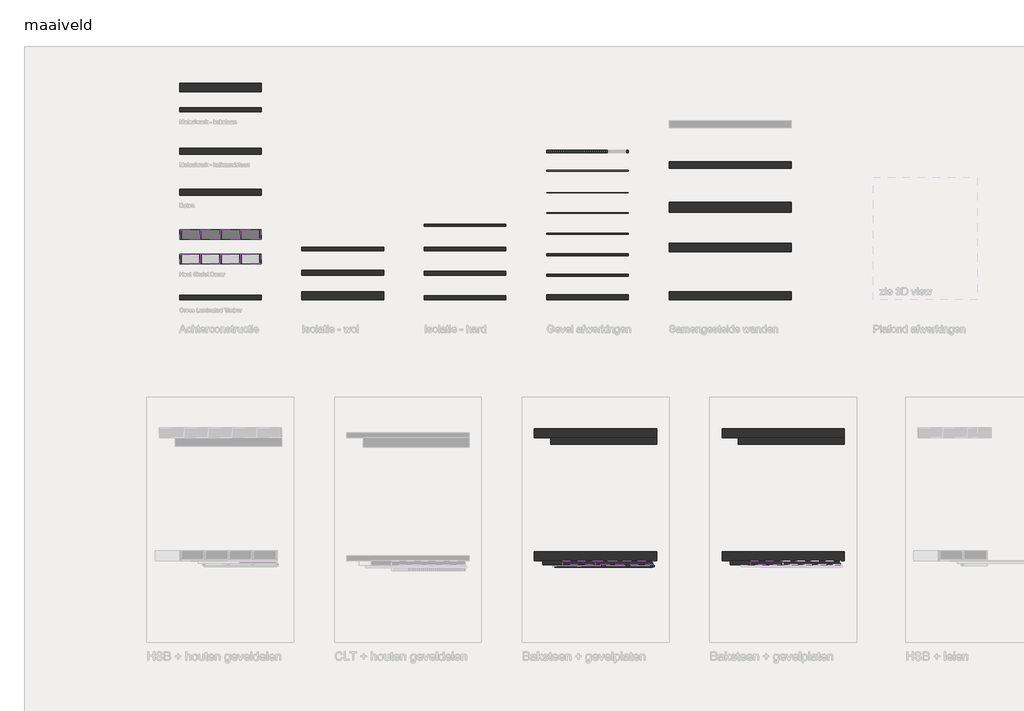
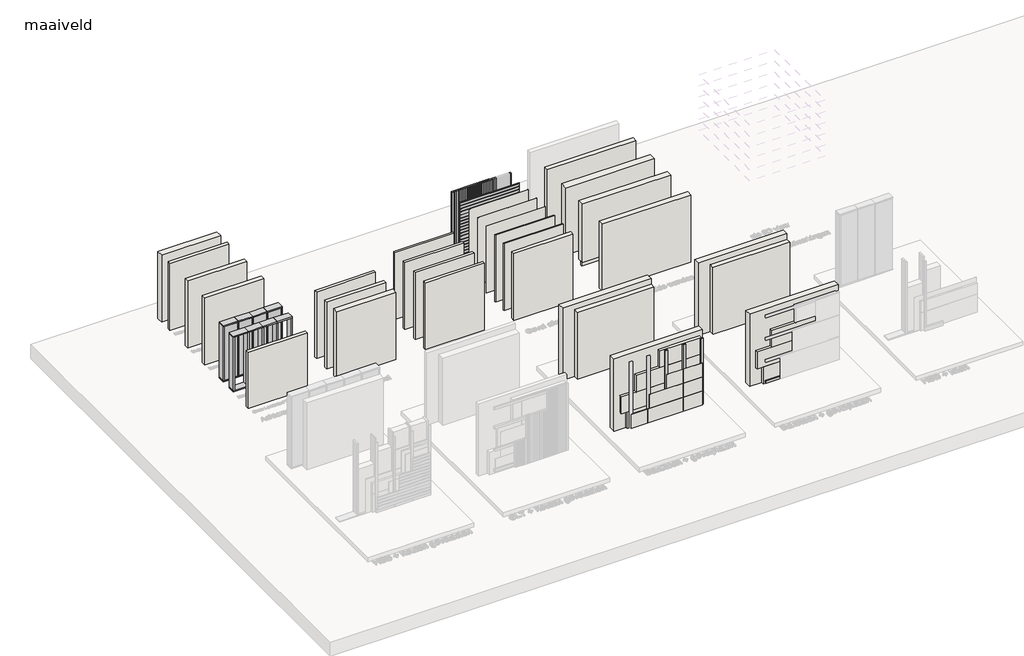
# One storey, part 2 of 14: 61 members, 39 walls, 5 plates.
"""IFC4 building model written with IfcOpenShell, lengths in millimetres."""

import ifcopenshell
import ifcopenshell.guid

model = None  # the IFC model being written
_history = None  # IfcOwnerHistory: only IFC2X3 demands one
_inside = {}  # id of a spatial element -> (the spatial element, [elements in it])
_under = {}  # id of a project, library or spatial element -> (it, [spatial elements below it])
_declared = {}  # id of a project -> (the project, [libraries it declares])
_typed = {}  # id of a type object -> (the type object, [elements of that type])
_made_of = {}  # id of a material, layer set ... -> (it, [elements and type objects made of it])


def new_model(schema):
    """Start an empty IFC model of exactly this schema.

    Asked for "IFC4X3", IfcOpenShell would pick the latest addendum, in which some entities
    have other attributes; the version numbers below select the first issue.
    IFC2X3 requires an IfcOwnerHistory on every rooted entity: one is made here for all.
    """
    global model, _history
    if schema == "IFC4X3":
        model = ifcopenshell.file(schema_version=(4, 3, 0, 0))
    else:
        model = ifcopenshell.file(schema=schema)
    _inside.clear()
    _under.clear()
    _declared.clear()
    _typed.clear()
    _made_of.clear()
    _history = None
    if model.schema == "IFC2X3":
        org = make("IfcOrganization", Name="unknown")
        user = make(
            "IfcPersonAndOrganization",
            ThePerson=make("IfcPerson", FamilyName="unknown"),
            TheOrganization=org,
        )
        app = make(
            "IfcApplication",
            ApplicationDeveloper=org,
            Version="unknown",
            ApplicationFullName="unknown",
            ApplicationIdentifier="unknown",
        )
        _history = make(
            "IfcOwnerHistory",
            OwningUser=user,
            OwningApplication=app,
            ChangeAction="ADDED",
            CreationDate=0,
        )
    return model


def make(cls, **values):
    """One entity of the class cls with the attributes given. An attribute that is None is left unset."""
    return model.create_entity(
        cls, **{name: value for name, value in values.items() if value is not None}
    )


def rooted(cls, **values):
    """An entity with a GlobalId (a new one), such as an element, a storey or a relation."""
    return make(cls, GlobalId=ifcopenshell.guid.new(), OwnerHistory=_history, **values)


def si_unit(unit_type, name, prefix=None):
    """IfcSIUnit, for example si_unit("LENGTHUNIT", "METRE", prefix="MILLI")."""
    return make("IfcSIUnit", UnitType=unit_type, Prefix=prefix, Name=name)


def assignment(units):
    """IfcUnitAssignment: the units of a project."""
    return None if units is None else make("IfcUnitAssignment", Units=units)


def point(xyz):
    """IfcCartesianPoint."""
    return None if xyz is None else make("IfcCartesianPoint", Coordinates=xyz)


def direction(xyz):
    """IfcDirection."""
    return None if xyz is None else make("IfcDirection", DirectionRatios=xyz)


def frame(location, z_axis=None, x_axis=None):
    """IfcAxis2Placement3D, a coordinate frame: its origin and axes. An axis left out is left unset."""
    return make(
        "IfcAxis2Placement3D",
        Location=point(location),
        Axis=direction(z_axis),
        RefDirection=direction(x_axis),
    )


def origin():
    """The frame at (0, 0, 0) with its axes left unset."""
    return frame((0.0, 0.0, 0.0))


def origin_with_axes():
    """The frame at (0, 0, 0) with the z axis (0, 0, 1) and the x axis (1, 0, 0) written out."""
    return frame((0.0, 0.0, 0.0), z_axis=(0.0, 0.0, 1.0), x_axis=(1.0, 0.0, 0.0))


def place(relative_to, where):
    """IfcLocalPlacement: puts the frame where relative to a parent placement (None: the world)."""
    return make(
        "IfcLocalPlacement", PlacementRelTo=relative_to, RelativePlacement=where
    )


def context(
    kind, dimensions, precision=None, world=None, true_north=None, identifier=None
):
    """IfcGeometricRepresentationContext, for example the 3D "Model" context."""
    return make(
        "IfcGeometricRepresentationContext",
        ContextIdentifier=identifier,
        ContextType=kind,
        CoordinateSpaceDimension=dimensions,
        Precision=precision,
        WorldCoordinateSystem=world,
        TrueNorth=true_north,
    )


def project(units=None, contexts=None):
    """IfcProject with its units and contexts."""
    return rooted(
        "IfcProject",
        Name="project",
        RepresentationContexts=contexts,
        UnitsInContext=assignment(units),
    )


def spatial(cls, under=None, at=None, **own):
    """A site, building, storey or space (cls), placed at a placement, below another one or the project."""
    s = rooted(cls, ObjectPlacement=at, **own)
    if under is not None:
        _under.setdefault(under.id(), (under, []))[1].append(s)
    return s


def polyline(points):
    """IfcPolyline through the points."""
    return make("IfcPolyline", Points=[point(p) for p in points])


def outline(outer, holes=None, kind="AREA"):
    """IfcArbitraryClosedProfileDef: a profile drawn as a closed curve; with holes, ...WithVoids."""
    if holes is None:
        return make("IfcArbitraryClosedProfileDef", ProfileType=kind, OuterCurve=outer)
    return make(
        "IfcArbitraryProfileDefWithVoids",
        ProfileType=kind,
        OuterCurve=outer,
        InnerCurves=holes,
    )


def extrude(swept, where, along, depth):
    """IfcExtrudedAreaSolid: the profile swept, set in the frame where, extruded along a direction by depth."""
    return make(
        "IfcExtrudedAreaSolid",
        SweptArea=swept,
        Position=where,
        ExtrudedDirection=direction(along),
        Depth=depth,
    )


def faces_of(points, faces, orient=None, outer=None):
    """IfcFace entities. A face is a list of loops; a loop is a list of indices into points, from 0.

    orient and outer hold one flag for each loop. By default every Orientation is true, the
    first loop of a face is its IfcFaceOuterBound and the others are IfcFaceBound.
    """
    made = []
    for i, loops in enumerate(faces):
        bounds = []
        for j, loop in enumerate(loops):
            is_outer = j == 0 if outer is None else outer[i][j]
            bounds.append(
                make(
                    "IfcFaceOuterBound" if is_outer else "IfcFaceBound",
                    Bound=make("IfcPolyLoop", Polygon=[points[k] for k in loop]),
                    Orientation=True if orient is None else orient[i][j],
                )
            )
        made.append(make("IfcFace", Bounds=bounds))
    return made


def faceted_brep(points, faces, orient=None, outer=None, voids=None):
    """IfcFacetedBrep: a solid bounded by flat faces; with voids (closed shells), ...WithVoids."""
    shared = [point(p) for p in points]
    hull = make("IfcClosedShell", CfsFaces=faces_of(shared, faces, orient, outer))
    if voids is None:
        return make("IfcFacetedBrep", Outer=hull)
    return make(
        "IfcFacetedBrepWithVoids",
        Outer=hull,
        Voids=[
            make(cls, CfsFaces=faces_of(shared, fs, o, b)) for cls, fs, o, b in voids
        ],
    )


def shape(context_of_items, identifier, shape_type, items):
    """IfcShapeRepresentation: the items that make up one representation, for example the "Body"."""
    return make(
        "IfcShapeRepresentation",
        ContextOfItems=context_of_items,
        RepresentationIdentifier=identifier,
        RepresentationType=shape_type,
        Items=items,
    )


def source(mapping_origin, context_of_items, identifier, shape_type, items):
    """IfcRepresentationMap: a shape defined once, which mapped items show again and again."""
    return make(
        "IfcRepresentationMap",
        MappingOrigin=mapping_origin,
        MappedRepresentation=shape(context_of_items, identifier, shape_type, items),
    )


def transform(
    local_origin,
    x_axis=None,
    y_axis=None,
    z_axis=None,
    scale=None,
    scale2=None,
    scale3=None,
    uniform=True,
):
    """IfcCartesianTransformationOperator3D, or its non-uniform kind. x_axis, y_axis, z_axis: its Axis1, 2, 3."""
    if uniform:
        return make(
            "IfcCartesianTransformationOperator3D",
            Axis1=direction(x_axis),
            Axis2=direction(y_axis),
            LocalOrigin=point(local_origin),
            Scale=scale,
            Axis3=direction(z_axis),
        )
    return make(
        "IfcCartesianTransformationOperator3DnonUniform",
        Axis1=direction(x_axis),
        Axis2=direction(y_axis),
        LocalOrigin=point(local_origin),
        Scale=scale,
        Axis3=direction(z_axis),
        Scale2=scale2,
        Scale3=scale3,
    )


def mapped(mapping_source, mapping_target):
    """IfcMappedItem: shows the shape of a source again, moved by a transform."""
    return make(
        "IfcMappedItem", MappingSource=mapping_source, MappingTarget=mapping_target
    )


def made_of(thing, what):
    """Note that an element or type object is made of a material, layer set ...; save() writes the relation."""
    if what is not None:
        _made_of.setdefault(what.id(), (what, []))[1].append(thing)
    return thing


def element(
    cls,
    number,
    at=None,
    inside=None,
    cuts=None,
    type_object=None,
    material=None,
    context=None,
    identifier="Body",
    shape_type=None,
    held_by="IfcProductDefinitionShape",
    body=None,
    shapes=None,
    **own,
):
    """One element of the class cls, such as IfcWall. Its Tag is "e" and its number.

    at: its placement. inside: the storey or other place that contains it. cuts: it is an
    opening in that element (IfcRelVoidsElement). A single representation is given by context,
    identifier, shape_type and body (its items); several are given by shapes. held_by: the class
    of the entity that holds the representations. save() writes the other relations.
    """
    e = rooted(cls, Tag="e%d" % number, ObjectPlacement=at, **own)
    if body is not None:
        shapes = [shape(context, identifier, shape_type, body)]
    if shapes is not None:
        e.Representation = make(held_by, Representations=shapes)
    if inside is not None:
        _inside.setdefault(inside.id(), (inside, []))[1].append(e)
    if cuts is not None:
        rooted(
            "IfcRelVoidsElement", RelatingBuildingElement=cuts, RelatedOpeningElement=e
        )
    if type_object is not None:
        _typed.setdefault(type_object.id(), (type_object, []))[1].append(e)
    return made_of(e, material)


def aggregate(whole, parts):
    """IfcRelAggregates: a whole, such as a stair, and the parts it consists of."""
    return rooted("IfcRelAggregates", RelatingObject=whole, RelatedObjects=parts)


def save(model, path):
    """Write the relations noted so far, then the file.

    IfcRelAggregates (storeys below a building ...), IfcRelContainedInSpatialStructure (elements
    in a storey), IfcRelDefinesByType, IfcRelAssociatesMaterial and IfcRelDeclares: one each for
    every whole, place, type object, material and project.
    """
    for whole, parts in _under.values():
        aggregate(whole, parts)
    for where, things in _inside.values():
        rooted(
            "IfcRelContainedInSpatialStructure",
            RelatedElements=things,
            RelatingStructure=where,
        )
    for kind, things in _typed.values():
        rooted("IfcRelDefinesByType", RelatedObjects=things, RelatingType=kind)
    for what, things in _made_of.values():
        rooted("IfcRelAssociatesMaterial", RelatedObjects=things, RelatingMaterial=what)
    for by, libraries in _declared.values():
        rooted("IfcRelDeclares", RelatingContext=by, RelatedDefinitions=libraries)
    model.write(path)


def rectangular_mullion_54fd6054(model_context):
    return source(origin(), model_context, "Body", "SweptSolid", [
        extrude(outline(polyline([(0.0, 235.0), (0.0, 0.0), (-38.0, 0.0), (-38.0, 235.0), (0.0, 235.0)])), frame((0.0, 0.0, -509.5000002), z_axis=(0.0, 0.0, 1.0), x_axis=(1.0, 0.0, 0.0)), (0.0, 0.0, 1.0), 509.5000002),
    ])


def rectangular_mullion_b7f3a4a9(model_context):
    return source(origin(), model_context, "Body", "SweptSolid", [
        extrude(outline(polyline([(0.0, 235.0), (0.0, 0.0), (-38.0, 0.0), (-38.0, 235.0), (0.0, 235.0)])), frame((0.0, 0.0, -490.4999998), z_axis=(0.0, 0.0, 1.0), x_axis=(1.0, 0.0, 0.0)), (0.0, 0.0, 1.0), 490.4999998),
    ])


def rectangular_mullion_909f2921(model_context):
    return source(origin(), model_context, "Body", "SweptSolid", [
        extrude(outline(polyline([(19.0, 235.0), (19.0, 0.0), (-19.0, 0.0), (-19.0, 235.0), (19.0, 235.0)])), frame((0.0, 0.0, -1924.0), z_axis=(0.0, 0.0, 1.0), x_axis=(1.0, 0.0, 0.0)), (0.0, 0.0, 1.0), 1924.0),
    ])


def rectangular_mullion_249a1d55(model_context):
    return source(origin(), model_context, "Body", "SweptSolid", [
        extrude(outline(polyline([(0.0, 235.0), (0.0, 0.0), (-38.0, 0.0), (-38.0, 235.0), (0.0, 235.0)])), frame((0.0, 0.0, -1924.0), z_axis=(0.0, 0.0, 1.0), x_axis=(1.0, 0.0, 0.0)), (0.0, 0.0, 1.0), 1924.0),
    ])


def rectangular_mullion_a47e18b7(model_context):
    return source(origin(), model_context, "Body", "SweptSolid", [
        extrude(outline(polyline([(0.0, 65.0), (0.0, 5.0), (-40.0, 5.0), (-40.0, 65.0), (0.0, 65.0)])), frame((0.0, 0.0, -2400.0), z_axis=(0.0, 0.0, 1.0), x_axis=(1.0, 0.0, 0.0)), (0.0, 0.0, 1.0), 2400.0),
    ])


def rectangular_mullion_ceeda884(model_context):
    return source(origin(), model_context, "Body", "SweptSolid", [
        extrude(outline(polyline([(20.0, 65.0), (20.0, 5.0), (-20.0, 5.0), (-20.0, 65.0), (20.0, 65.0)])), frame((0.0, 0.0, -2400.0), z_axis=(0.0, 0.0, 1.0), x_axis=(1.0, 0.0, 0.0)), (0.0, 0.0, 1.0), 2400.0),
    ])


def rectangular_mullion_5f890e93(model_context):
    return source(origin(), model_context, "Body", "SweptSolid", [
        extrude(outline(polyline([(0.0, 58.0), (0.0, 20.0), (-89.0, 20.0), (-89.0, 58.0), (0.0, 58.0)])), frame((0.0, 0.0, -2490.0), z_axis=(0.0, 0.0, 1.0), x_axis=(1.0, 0.0, 0.0)), (0.0, 0.0, 1.0), 2490.0),
    ])


def rectangular_mullion_ca50d48e(model_context):
    return source(origin(), model_context, "Body", "SweptSolid", [
        extrude(outline(polyline([(44.5, 58.0), (44.5, 20.0), (-44.5, 20.0), (-44.5, 58.0), (44.5, 58.0)])), frame((0.0, 0.0, -2360.0), z_axis=(0.0, 0.0, 1.0), x_axis=(1.0, 0.0, 0.0)), (0.0, 0.0, 1.0), 2360.0),
    ])


def rectangular_mullion_17bd54c2(model_context):
    return source(origin(), model_context, "Body", "SweptSolid", [
        extrude(outline(polyline([(0.0, 58.0), (0.0, 20.0), (-89.0, 20.0), (-89.0, 58.0), (0.0, 58.0)])), frame((0.0, 0.0, -2360.0), z_axis=(0.0, 0.0, 1.0), x_axis=(1.0, 0.0, 0.0)), (0.0, 0.0, 1.0), 2360.0),
    ])


def plate_d8001af4(model_context):
    return source(origin(), model_context, "Body", "SweptSolid", [
        extrude(outline(polyline([(0.0, 2200.0), (-7.5, 2200.0), (-7.5, 2210.0), (-13.5, 2210.0), (-13.5, 2200.0), (-21.0, 2207.5), (-21.0, 2300.5), (-13.5, 2308.0), (-13.5, 2318.0), (-7.5, 2318.0), (-7.5, 2308.0), (0.0, 2308.0), (0.0, 2200.0)])), frame((-1000.0, 0.0, 0.0), z_axis=(1.0, 0.0, 0.0), x_axis=(0.0, 1.0, 0.0)), (0.0, 0.0, 1.0), 2000.0),
        extrude(outline(polyline([(0.0, 2090.0), (-7.5, 2090.0), (-7.5, 2100.0), (-13.5, 2100.0), (-13.5, 2090.0), (-21.0, 2097.5), (-21.0, 2190.5), (-13.5, 2198.0), (-13.5, 2208.0), (-7.5, 2208.0), (-7.5, 2198.0), (0.0, 2198.0), (0.0, 2090.0)])), frame((-1000.0, 0.0, 0.0), z_axis=(1.0, 0.0, 0.0), x_axis=(0.0, 1.0, 0.0)), (0.0, 0.0, 1.0), 2000.0),
        extrude(outline(polyline([(0.0, 1980.0), (-7.5, 1980.0), (-7.5, 1990.0), (-13.5, 1990.0), (-13.5, 1980.0), (-21.0, 1987.5), (-21.0, 2080.5), (-13.5, 2088.0), (-13.5, 2098.0), (-7.5, 2098.0), (-7.5, 2088.0), (0.0, 2088.0), (0.0, 1980.0)])), frame((-1000.0, 0.0, 0.0), z_axis=(1.0, 0.0, 0.0), x_axis=(0.0, 1.0, 0.0)), (0.0, 0.0, 1.0), 2000.0),
        extrude(outline(polyline([(0.0, 1870.0), (-7.5, 1870.0), (-7.5, 1880.0), (-13.5, 1880.0), (-13.5, 1870.0), (-21.0, 1877.5), (-21.0, 1970.5), (-13.5, 1978.0), (-13.5, 1988.0), (-7.5, 1988.0), (-7.5, 1978.0), (0.0, 1978.0), (0.0, 1870.0)])), frame((-1000.0, 0.0, 0.0), z_axis=(1.0, 0.0, 0.0), x_axis=(0.0, 1.0, 0.0)), (0.0, 0.0, 1.0), 2000.0),
        extrude(outline(polyline([(0.0, 1760.0), (-7.5, 1760.0), (-7.5, 1770.0), (-13.5, 1770.0), (-13.5, 1760.0), (-21.0, 1767.5), (-21.0, 1860.5), (-13.5, 1868.0), (-13.5, 1878.0), (-7.5, 1878.0), (-7.5, 1868.0), (0.0, 1868.0), (0.0, 1760.0)])), frame((-1000.0, 0.0, 0.0), z_axis=(1.0, 0.0, 0.0), x_axis=(0.0, 1.0, 0.0)), (0.0, 0.0, 1.0), 2000.0),
        extrude(outline(polyline([(0.0, 1650.0), (-7.5, 1650.0), (-7.5, 1660.0), (-13.5, 1660.0), (-13.5, 1650.0), (-21.0, 1657.5), (-21.0, 1750.5), (-13.5, 1758.0), (-13.5, 1768.0), (-7.5, 1768.0), (-7.5, 1758.0), (0.0, 1758.0), (0.0, 1650.0)])), frame((-1000.0, 0.0, 0.0), z_axis=(1.0, 0.0, 0.0), x_axis=(0.0, 1.0, 0.0)), (0.0, 0.0, 1.0), 2000.0),
        extrude(outline(polyline([(0.0, 1540.0), (-7.5, 1540.0), (-7.5, 1550.0), (-13.5, 1550.0), (-13.5, 1540.0), (-21.0, 1547.5), (-21.0, 1640.5), (-13.5, 1648.0), (-13.5, 1658.0), (-7.5, 1658.0), (-7.5, 1648.0), (0.0, 1648.0), (0.0, 1540.0)])), frame((-1000.0, 0.0, 0.0), z_axis=(1.0, 0.0, 0.0), x_axis=(0.0, 1.0, 0.0)), (0.0, 0.0, 1.0), 2000.0),
        extrude(outline(polyline([(0.0, 1430.0), (-7.5, 1430.0), (-7.5, 1440.0), (-13.5, 1440.0), (-13.5, 1430.0), (-21.0, 1437.5), (-21.0, 1530.5), (-13.5, 1538.0), (-13.5, 1548.0), (-7.5, 1548.0), (-7.5, 1538.0), (0.0, 1538.0), (0.0, 1430.0)])), frame((-1000.0, 0.0, 0.0), z_axis=(1.0, 0.0, 0.0), x_axis=(0.0, 1.0, 0.0)), (0.0, 0.0, 1.0), 2000.0),
        extrude(outline(polyline([(0.0, 1320.0), (-7.5, 1320.0), (-7.5, 1330.0), (-13.5, 1330.0), (-13.5, 1320.0), (-21.0, 1327.5), (-21.0, 1420.5), (-13.5, 1428.0), (-13.5, 1438.0), (-7.5, 1438.0), (-7.5, 1428.0), (0.0, 1428.0), (0.0, 1320.0)])), frame((-1000.0, 0.0, 0.0), z_axis=(1.0, 0.0, 0.0), x_axis=(0.0, 1.0, 0.0)), (0.0, 0.0, 1.0), 2000.0),
        extrude(outline(polyline([(0.0, 1210.0), (-7.5, 1210.0), (-7.5, 1220.0), (-13.5, 1220.0), (-13.5, 1210.0), (-21.0, 1217.5), (-21.0, 1310.5), (-13.5, 1318.0), (-13.5, 1328.0), (-7.5, 1328.0), (-7.5, 1318.0), (0.0, 1318.0), (0.0, 1210.0)])), frame((-1000.0, 0.0, 0.0), z_axis=(1.0, 0.0, 0.0), x_axis=(0.0, 1.0, 0.0)), (0.0, 0.0, 1.0), 2000.0),
        extrude(outline(polyline([(0.0, 1100.0), (-7.5, 1100.0), (-7.5, 1110.0), (-13.5, 1110.0), (-13.5, 1100.0), (-21.0, 1107.5), (-21.0, 1200.5), (-13.5, 1208.0), (-13.5, 1218.0), (-7.5, 1218.0), (-7.5, 1208.0), (0.0, 1208.0), (0.0, 1100.0)])), frame((-1000.0, 0.0, 0.0), z_axis=(1.0, 0.0, 0.0), x_axis=(0.0, 1.0, 0.0)), (0.0, 0.0, 1.0), 2000.0),
        extrude(outline(polyline([(0.0, 990.0), (-7.5, 990.0), (-7.5, 1000.0), (-13.5, 1000.0), (-13.5, 990.0), (-21.0, 997.5), (-21.0, 1090.5), (-13.5, 1098.0), (-13.5, 1108.0), (-7.5, 1108.0), (-7.5, 1098.0), (0.0, 1098.0), (0.0, 990.0)])), frame((-1000.0, 0.0, 0.0), z_axis=(1.0, 0.0, 0.0), x_axis=(0.0, 1.0, 0.0)), (0.0, 0.0, 1.0), 2000.0),
        extrude(outline(polyline([(0.0, 880.0), (-7.5, 880.0), (-7.5, 890.0), (-13.5, 890.0), (-13.5, 880.0), (-21.0, 887.5), (-21.0, 980.5), (-13.5, 988.0), (-13.5, 998.0), (-7.5, 998.0), (-7.5, 988.0), (0.0, 988.0), (0.0, 880.0)])), frame((-1000.0, 0.0, 0.0), z_axis=(1.0, 0.0, 0.0), x_axis=(0.0, 1.0, 0.0)), (0.0, 0.0, 1.0), 2000.0),
        extrude(outline(polyline([(0.0, 770.0), (-7.5, 770.0), (-7.5, 780.0), (-13.5, 780.0), (-13.5, 770.0), (-21.0, 777.5), (-21.0, 870.5), (-13.5, 878.0), (-13.5, 888.0), (-7.5, 888.0), (-7.5, 878.0), (0.0, 878.0), (0.0, 770.0)])), frame((-1000.0, 0.0, 0.0), z_axis=(1.0, 0.0, 0.0), x_axis=(0.0, 1.0, 0.0)), (0.0, 0.0, 1.0), 2000.0),
        extrude(outline(polyline([(0.0, 660.0), (-7.5, 660.0), (-7.5, 670.0), (-13.5, 670.0), (-13.5, 660.0), (-21.0, 667.5), (-21.0, 760.5), (-13.5, 768.0), (-13.5, 778.0), (-7.5, 778.0), (-7.5, 768.0), (0.0, 768.0), (0.0, 660.0)])), frame((-1000.0, 0.0, 0.0), z_axis=(1.0, 0.0, 0.0), x_axis=(0.0, 1.0, 0.0)), (0.0, 0.0, 1.0), 2000.0),
        extrude(outline(polyline([(0.0, 550.0), (-7.5, 550.0), (-7.5, 560.0), (-13.5, 560.0), (-13.5, 550.0), (-21.0, 557.5), (-21.0, 650.5), (-13.5, 658.0), (-13.5, 668.0), (-7.5, 668.0), (-7.5, 658.0), (0.0, 658.0), (0.0, 550.0)])), frame((-1000.0, 0.0, 0.0), z_axis=(1.0, 0.0, 0.0), x_axis=(0.0, 1.0, 0.0)), (0.0, 0.0, 1.0), 2000.0),
        extrude(outline(polyline([(0.0, 440.0), (-7.5, 440.0), (-7.5, 450.0), (-13.5, 450.0), (-13.5, 440.0), (-21.0, 447.5), (-21.0, 540.5), (-13.5, 548.0), (-13.5, 558.0), (-7.5, 558.0), (-7.5, 548.0), (0.0, 548.0), (0.0, 440.0)])), frame((-1000.0, 0.0, 0.0), z_axis=(1.0, 0.0, 0.0), x_axis=(0.0, 1.0, 0.0)), (0.0, 0.0, 1.0), 2000.0),
        extrude(outline(polyline([(0.0, 330.0), (-7.5, 330.0), (-7.5, 340.0), (-13.5, 340.0), (-13.5, 330.0), (-21.0, 337.5), (-21.0, 430.5), (-13.5, 438.0), (-13.5, 448.0), (-7.5, 448.0), (-7.5, 438.0), (0.0, 438.0), (0.0, 330.0)])), frame((-1000.0, 0.0, 0.0), z_axis=(1.0, 0.0, 0.0), x_axis=(0.0, 1.0, 0.0)), (0.0, 0.0, 1.0), 2000.0),
        extrude(outline(polyline([(0.0, 220.0), (-7.5, 220.0), (-7.5, 230.0), (-13.5, 230.0), (-13.5, 220.0), (-21.0, 227.5), (-21.0, 320.5), (-13.5, 328.0), (-13.5, 338.0), (-7.5, 338.0), (-7.5, 328.0), (0.0, 328.0), (0.0, 220.0)])), frame((-1000.0, 0.0, 0.0), z_axis=(1.0, 0.0, 0.0), x_axis=(0.0, 1.0, 0.0)), (0.0, 0.0, 1.0), 2000.0),
        extrude(outline(polyline([(0.0, 110.0), (-7.5, 110.0), (-7.5, 120.0), (-13.5, 120.0), (-13.5, 110.0), (-21.0, 117.5), (-21.0, 210.5), (-13.5, 218.0), (-13.5, 228.0), (-7.5, 228.0), (-7.5, 218.0), (0.0, 218.0), (0.0, 110.0)])), frame((-1000.0, 0.0, 0.0), z_axis=(1.0, 0.0, 0.0), x_axis=(0.0, 1.0, 0.0)), (0.0, 0.0, 1.0), 2000.0),
        extrude(outline(polyline([(0.0, 0.0), (-7.5, 0.0), (-7.5, 10.0), (-13.5, 10.0), (-13.5, 0.0), (-21.0, 7.5), (-21.0, 100.5), (-13.5, 108.0), (-13.5, 118.0), (-7.5, 118.0), (-7.5, 108.0), (0.0, 108.0), (0.0, 0.0)])), frame((-1000.0, 0.0, 0.0), z_axis=(1.0, 0.0, 0.0), x_axis=(0.0, 1.0, 0.0)), (0.0, 0.0, 1.0), 2000.0),
    ])


def system_panel_isolatie_wol_230_95c047b2(model_context):
    return source(origin(), model_context, "Body", "SweptSolid", [
        extrude(outline(polyline([(226.2500001, -230.0), (-226.2500001, -230.0), (-226.2500001, 0.0), (226.2500001, 0.0), (226.2500001, -230.0)])), origin_with_axes(), (0.0, 0.0, 1.0), 1924.0),
    ])


model = new_model("IFC4")

# Units and contexts
model_context = context("Model", 3, world=origin())
ifc_project = project(units=[si_unit("LENGTHUNIT", "METRE", prefix="MILLI")], contexts=[model_context])

# Site, building, storey
site = spatial("IfcSite", under=ifc_project)
building = spatial("IfcBuilding", under=site)
storey = spatial("IfcBuildingStorey", under=building, Name="maaiveld", Elevation=0.0)

# Members
placement = place(None, origin())
rectangular_mullion_shape = rectangular_mullion_54fd6054(model_context)
element("IfcMember", 1, ObjectType="Rectangular Mullion", at=placement, inside=storey, context=model_context, shape_type="MappedRepresentation", body=[
    mapped(rectangular_mullion_shape, transform((2800.0, 10105.0, 2050.0), x_axis=(0.0, 0.0, 1.0), y_axis=(0.0, -1.0, 0.0), z_axis=(1.0, 0.0, 0.0))),
])
element("IfcMember", 2, ObjectType="Rectangular Mullion", at=placement, inside=storey, context=model_context, shape_type="MappedRepresentation", body=[
    mapped(rectangular_mullion_shape, transform((2800.0, 9505.0, 2050.0), x_axis=(0.0, 0.0, 1.0), y_axis=(0.0, -1.0, 0.0), z_axis=(1.0, 0.0, 0.0))),
])
element("IfcMember", 3, ObjectType="Rectangular Mullion", at=placement, inside=storey, context=model_context, shape_type="MappedRepresentation", body=[
    mapped(rectangular_mullion_shape, transform((800.0, 10105.0, 50.0), x_axis=(0.0, 0.0, -1.0), y_axis=(0.0, -1.0, 0.0), z_axis=(-1.0, 0.0, 0.0))),
])
element("IfcMember", 4, ObjectType="Rectangular Mullion", at=placement, inside=storey, context=model_context, shape_type="MappedRepresentation", body=[
    mapped(rectangular_mullion_shape, transform((800.0, 9505.0, 50.0), x_axis=(0.0, 0.0, -1.0), y_axis=(0.0, -1.0, 0.0), z_axis=(-1.0, 0.0, 0.0))),
])
element("IfcMember", 5, ObjectType="Rectangular Mullion", at=placement, inside=storey, context=model_context, shape_type="MappedRepresentation", body=[
    mapped(rectangular_mullion_shape, transform((1309.5000002, 10105.0, 2050.0), x_axis=(0.0, 0.0, 1.0), y_axis=(0.0, -1.0, 0.0), z_axis=(1.0, 0.0, 0.0))),
])
element("IfcMember", 6, ObjectType="Rectangular Mullion", at=placement, inside=storey, context=model_context, shape_type="MappedRepresentation", body=[
    mapped(rectangular_mullion_shape, transform((1309.5000002, 9505.0, 2050.0), x_axis=(0.0, 0.0, 1.0), y_axis=(0.0, -1.0, 0.0), z_axis=(1.0, 0.0, 0.0))),
])
rectangular_mullion_2_shape = rectangular_mullion_b7f3a4a9(model_context)
element("IfcMember", 7, ObjectType="Rectangular Mullion", at=placement, inside=storey, context=model_context, shape_type="MappedRepresentation", body=[
    mapped(rectangular_mullion_2_shape, transform((1800.0, 10105.0, 2050.0), x_axis=(0.0, 0.0, 1.0), y_axis=(0.0, -1.0, 0.0), z_axis=(1.0, 0.0, 0.0))),
])
element("IfcMember", 8, ObjectType="Rectangular Mullion", at=placement, inside=storey, context=model_context, shape_type="MappedRepresentation", body=[
    mapped(rectangular_mullion_2_shape, transform((2290.4999998, 10105.0, 2050.0), x_axis=(0.0, 0.0, 1.0), y_axis=(0.0, -1.0, 0.0), z_axis=(1.0, 0.0, 0.0))),
])
element("IfcMember", 9, ObjectType="Rectangular Mullion", at=placement, inside=storey, context=model_context, shape_type="MappedRepresentation", body=[
    mapped(rectangular_mullion_2_shape, transform((1800.0, 9505.0, 2050.0), x_axis=(0.0, 0.0, 1.0), y_axis=(0.0, -1.0, 0.0), z_axis=(1.0, 0.0, 0.0))),
])
element("IfcMember", 10, ObjectType="Rectangular Mullion", at=placement, inside=storey, context=model_context, shape_type="MappedRepresentation", body=[
    mapped(rectangular_mullion_2_shape, transform((2290.4999998, 9505.0, 2050.0), x_axis=(0.0, 0.0, 1.0), y_axis=(0.0, -1.0, 0.0), z_axis=(1.0, 0.0, 0.0))),
])
element("IfcMember", 11, ObjectType="Rectangular Mullion", at=placement, inside=storey, context=model_context, shape_type="MappedRepresentation", body=[
    mapped(rectangular_mullion_2_shape, transform((1309.5000002, 10105.0, 50.0), x_axis=(0.0, 0.0, -1.0), y_axis=(0.0, -1.0, 0.0), z_axis=(-1.0, 0.0, 0.0))),
])
element("IfcMember", 12, ObjectType="Rectangular Mullion", at=placement, inside=storey, context=model_context, shape_type="MappedRepresentation", body=[
    mapped(rectangular_mullion_2_shape, transform((1800.0, 10105.0, 50.0), x_axis=(0.0, 0.0, -1.0), y_axis=(0.0, -1.0, 0.0), z_axis=(-1.0, 0.0, 0.0))),
])
element("IfcMember", 13, ObjectType="Rectangular Mullion", at=placement, inside=storey, context=model_context, shape_type="MappedRepresentation", body=[
    mapped(rectangular_mullion_2_shape, transform((1309.5000002, 9505.0, 50.0), x_axis=(0.0, 0.0, -1.0), y_axis=(0.0, -1.0, 0.0), z_axis=(-1.0, 0.0, 0.0))),
])
element("IfcMember", 14, ObjectType="Rectangular Mullion", at=placement, inside=storey, context=model_context, shape_type="MappedRepresentation", body=[
    mapped(rectangular_mullion_2_shape, transform((1800.0, 9505.0, 50.0), x_axis=(0.0, 0.0, -1.0), y_axis=(0.0, -1.0, 0.0), z_axis=(-1.0, 0.0, 0.0))),
])
element("IfcMember", 15, ObjectType="Rectangular Mullion", at=placement, inside=storey, context=model_context, shape_type="MappedRepresentation", body=[
    mapped(rectangular_mullion_shape, transform((2290.4999998, 10105.0, 50.0), x_axis=(0.0, 0.0, -1.0), y_axis=(0.0, -1.0, 0.0), z_axis=(-1.0, 0.0, 0.0))),
])
element("IfcMember", 16, ObjectType="Rectangular Mullion", at=placement, inside=storey, context=model_context, shape_type="MappedRepresentation", body=[
    mapped(rectangular_mullion_shape, transform((2290.4999998, 9505.0, 50.0), x_axis=(0.0, 0.0, -1.0), y_axis=(0.0, -1.0, 0.0), z_axis=(-1.0, 0.0, 0.0))),
])
rectangular_mullion_3_shape = rectangular_mullion_909f2921(model_context)
element("IfcMember", 17, ObjectType="Rectangular Mullion", at=placement, inside=storey, context=model_context, shape_type="MappedRepresentation", body=[
    mapped(rectangular_mullion_3_shape, transform((1309.5000002, 10105.0, 88.0), x_axis=(1.0, 0.0, 0.0), y_axis=(0.0, -1.0, 0.0), z_axis=(0.0, 0.0, -1.0))),
])
element("IfcMember", 18, ObjectType="Rectangular Mullion", at=placement, inside=storey, context=model_context, shape_type="MappedRepresentation", body=[
    mapped(rectangular_mullion_3_shape, transform((1800.0, 10105.0, 88.0), x_axis=(1.0, 0.0, 0.0), y_axis=(0.0, -1.0, 0.0), z_axis=(0.0, 0.0, -1.0))),
])
element("IfcMember", 19, ObjectType="Rectangular Mullion", at=placement, inside=storey, context=model_context, shape_type="MappedRepresentation", body=[
    mapped(rectangular_mullion_3_shape, transform((2290.4999998, 10105.0, 88.0), x_axis=(1.0, 0.0, 0.0), y_axis=(0.0, -1.0, 0.0), z_axis=(0.0, 0.0, -1.0))),
])
element("IfcMember", 20, ObjectType="Rectangular Mullion", at=placement, inside=storey, context=model_context, shape_type="MappedRepresentation", body=[
    mapped(rectangular_mullion_3_shape, transform((1309.5000002, 9505.0, 88.0), x_axis=(1.0, 0.0, 0.0), y_axis=(0.0, -1.0, 0.0), z_axis=(0.0, 0.0, -1.0))),
])
element("IfcMember", 21, ObjectType="Rectangular Mullion", at=placement, inside=storey, context=model_context, shape_type="MappedRepresentation", body=[
    mapped(rectangular_mullion_3_shape, transform((1800.0, 9505.0, 88.0), x_axis=(1.0, 0.0, 0.0), y_axis=(0.0, -1.0, 0.0), z_axis=(0.0, 0.0, -1.0))),
])
element("IfcMember", 22, ObjectType="Rectangular Mullion", at=placement, inside=storey, context=model_context, shape_type="MappedRepresentation", body=[
    mapped(rectangular_mullion_3_shape, transform((2290.4999998, 9505.0, 88.0), x_axis=(1.0, 0.0, 0.0), y_axis=(0.0, -1.0, 0.0), z_axis=(0.0, 0.0, -1.0))),
])
rectangular_mullion_4_shape = rectangular_mullion_249a1d55(model_context)
element("IfcMember", 23, ObjectType="Rectangular Mullion", at=placement, inside=storey, context=model_context, shape_type="MappedRepresentation", body=[
    mapped(rectangular_mullion_4_shape, transform((2800.0, 10105.0, 88.0), x_axis=(1.0, 0.0, 0.0), y_axis=(0.0, -1.0, 0.0), z_axis=(0.0, 0.0, -1.0))),
])
element("IfcMember", 24, ObjectType="Rectangular Mullion", at=placement, inside=storey, context=model_context, shape_type="MappedRepresentation", body=[
    mapped(rectangular_mullion_4_shape, transform((2800.0, 9505.0, 88.0), x_axis=(1.0, 0.0, 0.0), y_axis=(0.0, -1.0, 0.0), z_axis=(0.0, 0.0, -1.0))),
])
element("IfcMember", 25, ObjectType="Rectangular Mullion", at=placement, inside=storey, context=model_context, shape_type="MappedRepresentation", body=[
    mapped(rectangular_mullion_4_shape, transform((800.0, 10105.0, 2012.0), x_axis=(-1.0, 0.0, 0.0), y_axis=(0.0, -1.0, 0.0), z_axis=(0.0, 0.0, 1.0))),
])
element("IfcMember", 26, ObjectType="Rectangular Mullion", at=placement, inside=storey, context=model_context, shape_type="MappedRepresentation", body=[
    mapped(rectangular_mullion_4_shape, transform((800.0, 9505.0, 2012.0), x_axis=(-1.0, 0.0, 0.0), y_axis=(0.0, -1.0, 0.0), z_axis=(0.0, 0.0, 1.0))),
])
rectangular_mullion_5_shape = rectangular_mullion_a47e18b7(model_context)
element("IfcMember", 27, ObjectType="Rectangular Mullion", at=placement, inside=storey, context=model_context, shape_type="MappedRepresentation", body=[
    mapped(rectangular_mullion_5_shape, transform((11800.0, 12061.5, 0.0), x_axis=(1.0, 0.0, 0.0), y_axis=(0.0, -1.0, 0.0), z_axis=(0.0, 0.0, -1.0))),
])
element("IfcMember", 28, ObjectType="Rectangular Mullion", at=placement, inside=storey, context=model_context, shape_type="MappedRepresentation", body=[
    mapped(rectangular_mullion_5_shape, transform((9800.0, 12061.5, 2400.0), x_axis=(-1.0, 0.0, 0.0), y_axis=(0.0, -1.0, 0.0), z_axis=(0.0, 0.0, 1.0))),
])
rectangular_mullion_6_shape = rectangular_mullion_ceeda884(model_context)
element("IfcMember", 29, ObjectType="Rectangular Mullion", at=placement, inside=storey, context=model_context, shape_type="MappedRepresentation", body=[
    mapped(rectangular_mullion_6_shape, transform((10420.0000003, 12061.5, 0.0), x_axis=(1.0, 0.0, 0.0), y_axis=(0.0, -1.0, 0.0), z_axis=(0.0, 0.0, -1.0))),
])
element("IfcMember", 30, ObjectType="Rectangular Mullion", at=placement, inside=storey, context=model_context, shape_type="MappedRepresentation", body=[
    mapped(rectangular_mullion_6_shape, transform((10470.0000003, 12061.5, 0.0), x_axis=(1.0, 0.0, 0.0), y_axis=(0.0, -1.0, 0.0), z_axis=(0.0, 0.0, -1.0))),
])
element("IfcMember", 31, ObjectType="Rectangular Mullion", at=placement, inside=storey, context=model_context, shape_type="MappedRepresentation", body=[
    mapped(rectangular_mullion_6_shape, transform((10520.0000003, 12061.5, 0.0), x_axis=(1.0, 0.0, 0.0), y_axis=(0.0, -1.0, 0.0), z_axis=(0.0, 0.0, -1.0))),
])
element("IfcMember", 32, ObjectType="Rectangular Mullion", at=placement, inside=storey, context=model_context, shape_type="MappedRepresentation", body=[
    mapped(rectangular_mullion_6_shape, transform((10570.0000003, 12061.5, 0.0), x_axis=(1.0, 0.0, 0.0), y_axis=(0.0, -1.0, 0.0), z_axis=(0.0, 0.0, -1.0))),
])
element("IfcMember", 33, ObjectType="Rectangular Mullion", at=placement, inside=storey, context=model_context, shape_type="MappedRepresentation", body=[
    mapped(rectangular_mullion_6_shape, transform((10620.0000003, 12061.5, 0.0), x_axis=(1.0, 0.0, 0.0), y_axis=(0.0, -1.0, 0.0), z_axis=(0.0, 0.0, -1.0))),
])
element("IfcMember", 34, ObjectType="Rectangular Mullion", at=placement, inside=storey, context=model_context, shape_type="MappedRepresentation", body=[
    mapped(rectangular_mullion_6_shape, transform((10670.0000003, 12061.5, 0.0), x_axis=(1.0, 0.0, 0.0), y_axis=(0.0, -1.0, 0.0), z_axis=(0.0, 0.0, -1.0))),
])
element("IfcMember", 35, ObjectType="Rectangular Mullion", at=placement, inside=storey, context=model_context, shape_type="MappedRepresentation", body=[
    mapped(rectangular_mullion_6_shape, transform((10720.0000003, 12061.5, 0.0), x_axis=(1.0, 0.0, 0.0), y_axis=(0.0, -1.0, 0.0), z_axis=(0.0, 0.0, -1.0))),
])
element("IfcMember", 36, ObjectType="Rectangular Mullion", at=placement, inside=storey, context=model_context, shape_type="MappedRepresentation", body=[
    mapped(rectangular_mullion_6_shape, transform((10770.0000003, 12061.5, 0.0), x_axis=(1.0, 0.0, 0.0), y_axis=(0.0, -1.0, 0.0), z_axis=(0.0, 0.0, -1.0))),
])
element("IfcMember", 37, ObjectType="Rectangular Mullion", at=placement, inside=storey, context=model_context, shape_type="MappedRepresentation", body=[
    mapped(rectangular_mullion_6_shape, transform((10820.0000003, 12061.5, 0.0), x_axis=(1.0, 0.0, 0.0), y_axis=(0.0, -1.0, 0.0), z_axis=(0.0, 0.0, -1.0))),
])
element("IfcMember", 38, ObjectType="Rectangular Mullion", at=placement, inside=storey, context=model_context, shape_type="MappedRepresentation", body=[
    mapped(rectangular_mullion_6_shape, transform((10870.0000003, 12061.5, 0.0), x_axis=(1.0, 0.0, 0.0), y_axis=(0.0, -1.0, 0.0), z_axis=(0.0, 0.0, -1.0))),
])
element("IfcMember", 39, ObjectType="Rectangular Mullion", at=placement, inside=storey, context=model_context, shape_type="MappedRepresentation", body=[
    mapped(rectangular_mullion_6_shape, transform((10920.0000003, 12061.5, 0.0), x_axis=(1.0, 0.0, 0.0), y_axis=(0.0, -1.0, 0.0), z_axis=(0.0, 0.0, -1.0))),
])
element("IfcMember", 40, ObjectType="Rectangular Mullion", at=placement, inside=storey, context=model_context, shape_type="MappedRepresentation", body=[
    mapped(rectangular_mullion_6_shape, transform((10970.0000003, 12061.5, 0.0), x_axis=(1.0, 0.0, 0.0), y_axis=(0.0, -1.0, 0.0), z_axis=(0.0, 0.0, -1.0))),
])
element("IfcMember", 41, ObjectType="Rectangular Mullion", at=placement, inside=storey, context=model_context, shape_type="MappedRepresentation", body=[
    mapped(rectangular_mullion_6_shape, transform((11020.0000003, 12061.5, 0.0), x_axis=(1.0, 0.0, 0.0), y_axis=(0.0, -1.0, 0.0), z_axis=(0.0, 0.0, -1.0))),
])
element("IfcMember", 42, ObjectType="Rectangular Mullion", at=placement, inside=storey, context=model_context, shape_type="MappedRepresentation", body=[
    mapped(rectangular_mullion_6_shape, transform((11070.0000003, 12061.5, 0.0), x_axis=(1.0, 0.0, 0.0), y_axis=(0.0, -1.0, 0.0), z_axis=(0.0, 0.0, -1.0))),
])
element("IfcMember", 43, ObjectType="Rectangular Mullion", at=placement, inside=storey, context=model_context, shape_type="MappedRepresentation", body=[
    mapped(rectangular_mullion_6_shape, transform((11120.0000003, 12061.5, 0.0), x_axis=(1.0, 0.0, 0.0), y_axis=(0.0, -1.0, 0.0), z_axis=(0.0, 0.0, -1.0))),
])
element("IfcMember", 44, ObjectType="Rectangular Mullion", at=placement, inside=storey, context=model_context, shape_type="MappedRepresentation", body=[
    mapped(rectangular_mullion_6_shape, transform((11170.0000003, 12061.5, 0.0), x_axis=(1.0, 0.0, 0.0), y_axis=(0.0, -1.0, 0.0), z_axis=(0.0, 0.0, -1.0))),
])
element("IfcMember", 45, ObjectType="Rectangular Mullion", at=placement, inside=storey, context=model_context, shape_type="MappedRepresentation", body=[
    mapped(rectangular_mullion_6_shape, transform((11220.0000003, 12061.5, 0.0), x_axis=(1.0, 0.0, 0.0), y_axis=(0.0, -1.0, 0.0), z_axis=(0.0, 0.0, -1.0))),
])
element("IfcMember", 46, ObjectType="Rectangular Mullion", at=placement, inside=storey, context=model_context, shape_type="MappedRepresentation", body=[
    mapped(rectangular_mullion_6_shape, transform((11270.0000003, 12061.5, 0.0), x_axis=(1.0, 0.0, 0.0), y_axis=(0.0, -1.0, 0.0), z_axis=(0.0, 0.0, -1.0))),
])
element("IfcMember", 47, ObjectType="Rectangular Mullion", at=placement, inside=storey, context=model_context, shape_type="MappedRepresentation", body=[
    mapped(rectangular_mullion_6_shape, transform((10370.0000003, 12061.5, 0.0), x_axis=(1.0, 0.0, 0.0), y_axis=(0.0, -1.0, 0.0), z_axis=(0.0, 0.0, -1.0))),
])
element("IfcMember", 48, ObjectType="Rectangular Mullion", at=placement, inside=storey, context=model_context, shape_type="MappedRepresentation", body=[
    mapped(rectangular_mullion_6_shape, transform((10320.0000003, 12061.5, 0.0), x_axis=(1.0, 0.0, 0.0), y_axis=(0.0, -1.0, 0.0), z_axis=(0.0, 0.0, -1.0))),
])
element("IfcMember", 49, ObjectType="Rectangular Mullion", at=placement, inside=storey, context=model_context, shape_type="MappedRepresentation", body=[
    mapped(rectangular_mullion_6_shape, transform((10270.0000003, 12061.5, 0.0), x_axis=(1.0, 0.0, 0.0), y_axis=(0.0, -1.0, 0.0), z_axis=(0.0, 0.0, -1.0))),
])
element("IfcMember", 50, ObjectType="Rectangular Mullion", at=placement, inside=storey, context=model_context, shape_type="MappedRepresentation", body=[
    mapped(rectangular_mullion_6_shape, transform((10220.0000003, 12061.5, 0.0), x_axis=(1.0, 0.0, 0.0), y_axis=(0.0, -1.0, 0.0), z_axis=(0.0, 0.0, -1.0))),
])
element("IfcMember", 51, ObjectType="Rectangular Mullion", at=placement, inside=storey, context=model_context, shape_type="MappedRepresentation", body=[
    mapped(rectangular_mullion_6_shape, transform((10170.0000003, 12061.5, 0.0), x_axis=(1.0, 0.0, 0.0), y_axis=(0.0, -1.0, 0.0), z_axis=(0.0, 0.0, -1.0))),
])
element("IfcMember", 52, ObjectType="Rectangular Mullion", at=placement, inside=storey, context=model_context, shape_type="MappedRepresentation", body=[
    mapped(rectangular_mullion_6_shape, transform((10120.0000003, 12061.5, 0.0), x_axis=(1.0, 0.0, 0.0), y_axis=(0.0, -1.0, 0.0), z_axis=(0.0, 0.0, -1.0))),
])
element("IfcMember", 53, ObjectType="Rectangular Mullion", at=placement, inside=storey, context=model_context, shape_type="MappedRepresentation", body=[
    mapped(rectangular_mullion_6_shape, transform((10070.0000003, 12061.5, 0.0), x_axis=(1.0, 0.0, 0.0), y_axis=(0.0, -1.0, 0.0), z_axis=(0.0, 0.0, -1.0))),
])
element("IfcMember", 54, ObjectType="Rectangular Mullion", at=placement, inside=storey, context=model_context, shape_type="MappedRepresentation", body=[
    mapped(rectangular_mullion_6_shape, transform((10020.0000003, 12061.5, 0.0), x_axis=(1.0, 0.0, 0.0), y_axis=(0.0, -1.0, 0.0), z_axis=(0.0, 0.0, -1.0))),
])
element("IfcMember", 55, ObjectType="Rectangular Mullion", at=placement, inside=storey, context=model_context, shape_type="MappedRepresentation", body=[
    mapped(rectangular_mullion_6_shape, transform((9970.0000003, 12061.5, 0.0), x_axis=(1.0, 0.0, 0.0), y_axis=(0.0, -1.0, 0.0), z_axis=(0.0, 0.0, -1.0))),
])
element("IfcMember", 56, ObjectType="Rectangular Mullion", at=placement, inside=storey, context=model_context, shape_type="MappedRepresentation", body=[
    mapped(rectangular_mullion_6_shape, transform((9920.0000003, 12061.5, 0.0), x_axis=(1.0, 0.0, 0.0), y_axis=(0.0, -1.0, 0.0), z_axis=(0.0, 0.0, -1.0))),
])
element("IfcMember", 57, ObjectType="Rectangular Mullion", at=placement, inside=storey, context=model_context, shape_type="MappedRepresentation", body=[
    mapped(rectangular_mullion_6_shape, transform((9870.0000003, 12061.5, 0.0), x_axis=(1.0, 0.0, 0.0), y_axis=(0.0, -1.0, 0.0), z_axis=(0.0, 0.0, -1.0))),
])
rectangular_mullion_7_shape = rectangular_mullion_5f890e93(model_context)
element("IfcMember", 58, ObjectType="Rectangular Mullion", at=placement, inside=storey, context=model_context, shape_type="MappedRepresentation", body=[
    mapped(rectangular_mullion_7_shape, transform((14554.5, 1900.0, 50.0), x_axis=(0.0, 0.0, -1.0), y_axis=(0.0, -1.0, 0.0), z_axis=(-1.0, 0.0, 0.0))),
])
rectangular_mullion_8_shape = rectangular_mullion_ca50d48e(model_context)
element("IfcMember", 59, ObjectType="Rectangular Mullion", at=placement, inside=storey, context=model_context, shape_type="MappedRepresentation", body=[
    mapped(rectangular_mullion_8_shape, transform((11197.25, 1900.0, 50.0), x_axis=(1.0, 0.0, 0.0), y_axis=(0.0, -1.0, 0.0), z_axis=(0.0, 0.0, -1.0))),
])
element("IfcMember", 60, ObjectType="Rectangular Mullion", at=placement, inside=storey, context=model_context, shape_type="MappedRepresentation", body=[
    mapped(rectangular_mullion_8_shape, transform((11797.4999998, 1900.0, 50.0), x_axis=(1.0, 0.0, 0.0), y_axis=(0.0, -1.0, 0.0), z_axis=(0.0, 0.0, -1.0))),
])
rectangular_mullion_9_shape = rectangular_mullion_17bd54c2(model_context)
element("IfcMember", 61, ObjectType="Rectangular Mullion", at=placement, inside=storey, context=model_context, shape_type="MappedRepresentation", body=[
    mapped(rectangular_mullion_9_shape, transform((12442.25, 1900.0, 50.0), x_axis=(1.0, 0.0, 0.0), y_axis=(0.0, -1.0, 0.0), z_axis=(0.0, 0.0, -1.0))),
])

# Plates
plate_shape = plate_d8001af4(model_context)
element("IfcPlate", 62, at=placement, inside=storey, context=model_context, shape_type="MappedRepresentation", body=[
    mapped(plate_shape, transform((10800.0, 11561.5, 0.0), x_axis=(1.0, 0.0, 0.0), y_axis=(0.0, 1.0, 0.0), z_axis=(0.0, 0.0, 1.0))),
])
system_panel_isolatie_wol_230_shape = system_panel_isolatie_wol_230_95c047b2(model_context)
element("IfcPlate", 63, ObjectType="System Panel : isolatie wol 230", at=placement, inside=storey, context=model_context, shape_type="MappedRepresentation", body=[
    mapped(system_panel_isolatie_wol_230_shape, transform((1064.2500001, 10105.0, 88.0), x_axis=(1.0, 0.0, 0.0), y_axis=(0.0, 1.0, 0.0), z_axis=(0.0, 0.0, 1.0))),
])
element("IfcPlate", 64, ObjectType="System Panel : isolatie wol 230", at=placement, inside=storey, context=model_context, shape_type="MappedRepresentation", body=[
    mapped(system_panel_isolatie_wol_230_shape, transform((1554.7500001, 10105.0, 88.0), x_axis=(1.0, 0.0, 0.0), y_axis=(0.0, 1.0, 0.0), z_axis=(0.0, 0.0, 1.0))),
])
element("IfcPlate", 65, ObjectType="System Panel : isolatie wol 230", at=placement, inside=storey, context=model_context, shape_type="MappedRepresentation", body=[
    mapped(system_panel_isolatie_wol_230_shape, transform((2045.2499999, 10105.0, 88.0), x_axis=(1.0, 0.0, 0.0), y_axis=(0.0, 1.0, 0.0), z_axis=(0.0, 0.0, 1.0))),
])
element("IfcPlate", 66, ObjectType="System Panel : isolatie wol 230", at=placement, inside=storey, context=model_context, shape_type="MappedRepresentation", body=[
    mapped(system_panel_isolatie_wol_230_shape, transform((2535.7499999, 10105.0, 88.0), x_axis=(1.0, 0.0, 0.0), y_axis=(0.0, 1.0, 0.0), z_axis=(0.0, 0.0, 1.0))),
])

# Walls
element("IfcWall", 67, at=placement, inside=storey, context=model_context, shape_type="SweptSolid", body=[
    extrude(outline(polyline([(11800.0, 11012.0), (9800.0, 11012.0), (9800.0, 11020.0), (11800.0, 11020.0), (11800.0, 11012.0)])), origin_with_axes(), (0.0, 0.0, 1.0), 2400.0),
])
element("IfcWall", 68, at=placement, inside=storey, context=model_context, shape_type="SweptSolid", body=[
    extrude(outline(polyline([(11800.0, 10512.0), (9800.0, 10512.0), (9800.0, 10520.0), (11800.0, 10520.0), (11800.0, 10512.0)])), origin_with_axes(), (0.0, 0.0, 1.0), 2400.0),
])
element("IfcWall", 69, at=placement, inside=storey, context=model_context, shape_type="SweptSolid", body=[
    extrude(outline(polyline([(11800.0, 10000.0), (9800.0, 10000.0), (9800.0, 10020.0), (11800.0, 10020.0), (11800.0, 10000.0)])), origin_with_axes(), (0.0, 0.0, 1.0), 2400.0),
])
element("IfcWall", 70, at=placement, inside=storey, context=model_context, shape_type="SweptSolid", body=[
    extrude(outline(polyline([(11800.0, 9470.0), (9800.0, 9470.0), (9800.0, 9520.0), (11800.0, 9520.0), (11800.0, 9470.0)])), origin_with_axes(), (0.0, 0.0, 1.0), 2400.0),
])
element("IfcWall", 71, at=placement, inside=storey, context=model_context, shape_type="SweptSolid", body=[
    extrude(outline(polyline([(11800.0, 8970.0), (9800.0, 8970.0), (9800.0, 9020.0), (11800.0, 9020.0), (11800.0, 8970.0)])), origin_with_axes(), (0.0, 0.0, 1.0), 2400.0),
])
element("IfcWall", 72, at=placement, inside=storey, context=model_context, shape_type="SweptSolid", body=[
    extrude(outline(polyline([(11800.0, 8390.0), (9800.0, 8390.0), (9800.0, 8520.0), (11800.0, 8520.0), (11800.0, 8390.0)])), origin_with_axes(), (0.0, 0.0, 1.0), 2400.0),
])
element("IfcWall", 73, at=placement, inside=storey, context=model_context, shape_type="SweptSolid", body=[
    extrude(outline(polyline([(12400.0, 1834.0), (10000.0, 1834.0), (10000.0, 1842.0), (12400.0, 1842.0), (12400.0, 1834.0)])), frame((0.0, 0.0, 40.0), z_axis=(0.0, 0.0, 1.0), x_axis=(1.0, 0.0, 0.0)), (0.0, 0.0, 1.0), 500.0),
])
element("IfcWall", 74, at=placement, inside=storey, context=model_context, shape_type="SweptSolid", body=[
    extrude(outline(polyline([(12400.0, 1834.0), (10600.0, 1834.0), (10600.0, 1842.0), (12400.0, 1842.0), (12400.0, 1834.0)])), frame((0.0, 0.0, 540.0), z_axis=(0.0, 0.0, 1.0), x_axis=(1.0, 0.0, 0.0)), (0.0, 0.0, 1.0), 500.0),
])
element("IfcWall", 75, at=placement, inside=storey, context=model_context, shape_type="SweptSolid", body=[
    extrude(outline(polyline([(12400.0, 1834.0), (11200.0, 1834.0), (11200.0, 1842.0), (12400.0, 1842.0), (12400.0, 1834.0)])), frame((0.0, 0.0, 1040.0), z_axis=(0.0, 0.0, 1.0), x_axis=(1.0, 0.0, 0.0)), (0.0, 0.0, 1.0), 500.0),
])
element("IfcWall", 76, at=placement, inside=storey, context=model_context, shape_type="SweptSolid", body=[
    extrude(outline(polyline([(15800.0, 8390.0), (12800.0, 8390.0), (12800.0, 8585.0), (15800.0, 8585.0), (15800.0, 8390.0)])), origin_with_axes(), (0.0, 0.0, 1.0), 2400.0),
])
element("IfcWall", 77, at=placement, inside=storey, context=model_context, shape_type="SweptSolid", body=[
    extrude(outline(polyline([(15800.0, 11614.0), (12800.0, 11614.0), (12800.0, 11780.0), (15800.0, 11780.0), (15800.0, 11614.0)])), origin_with_axes(), (0.0, 0.0, 1.0), 2400.0),
])
element("IfcWall", 78, at=placement, inside=storey, context=model_context, shape_type="SweptSolid", body=[
    extrude(outline(polyline([(15800.0, 10537.0), (12800.0, 10537.0), (12800.0, 10780.0), (15800.0, 10780.0), (15800.0, 10537.0)])), origin_with_axes(), (0.0, 0.0, 1.0), 2400.0),
])
element("IfcWall", 79, at=placement, inside=storey, context=model_context, shape_type="SweptSolid", body=[
    extrude(outline(polyline([(12500.0, 4849.0), (9900.0, 4849.0), (9900.0, 5015.0), (12500.0, 5015.0), (12500.0, 4849.0)])), origin_with_axes(), (0.0, 0.0, 1.0), 2400.0),
])
element("IfcWall", 80, at=placement, inside=storey, context=model_context, shape_type="SweptSolid", body=[
    extrude(outline(polyline([(17100.0, 4849.0), (14500.0, 4849.0), (14500.0, 5015.0), (17100.0, 5015.0), (17100.0, 4849.0)])), origin_with_axes(), (0.0, 0.0, 1.0), 2400.0),
])
element("IfcWall", 81, at=placement, inside=storey, context=model_context, shape_type="SweptSolid", body=[
    extrude(outline(polyline([(15800.0, 9610.0), (12800.0, 9610.0), (12800.0, 9660.0), (15800.0, 9660.0), (15800.0, 9610.0)])), frame((0.0, 0.0, 160.0), z_axis=(0.0, 0.0, 1.0), x_axis=(1.0, 0.0, 0.0)), (0.0, 0.0, 1.0), 150.0),
])
element("IfcWall", 82, at=placement, inside=storey, context=model_context, shape_type="Brep", body=[
    faceted_brep([(12800.0, 9572.0, 310.0), (15800.0, 9572.0, 310.0), (15800.0, 9572.0, 2400.0), (12800.0, 9572.0, 2400.0), (12800.0, 9780.0, 310.0), (12800.0, 9780.0, 2400.0), (15800.0, 9780.0, 2400.0), (15800.0, 9780.0, 310.0), (12800.0, 9610.0, 310.0), (12800.0, 9660.0, 310.0), (15800.0, 9660.0, 310.0), (15800.0, 9610.0, 310.0)], [[[0, 1, 2, 3]], [[4, 5, 6, 7]], [[1, 0, 8, 9, 4, 7, 10, 11]], [[2, 1, 11, 10, 7, 6]], [[3, 2, 6, 5]], [[0, 3, 5, 4, 9, 8]]]),
])
element("IfcWall", 83, ObjectType="NLRS21_metselwerk_baksteen_210mm", at=placement, inside=storey, context=model_context, shape_type="SweptSolid", body=[
    extrude(outline(polyline([(2800.0, 13495.0), (800.0, 13495.0), (800.0, 13705.0), (2800.0, 13705.0), (2800.0, 13495.0)])), origin_with_axes(), (0.0, 0.0, 1.0), 2400.0),
])
element("IfcWall", 84, ObjectType="NLRS21_metselwerk_baksteen_210mm", at=placement, inside=storey, context=model_context, shape_type="SweptSolid", body=[
    extrude(outline(polyline([(12500.0, 2000.0), (9500.0, 2000.0), (9500.0, 2210.0), (12500.0, 2210.0), (12500.0, 2000.0)])), origin_with_axes(), (0.0, 0.0, 1.0), 2600.0),
])
element("IfcWall", 85, ObjectType="NLRS21_metselwerk_baksteen_210mm", at=placement, inside=storey, context=model_context, shape_type="SweptSolid", body=[
    extrude(outline(polyline([(17100.0, 2000.0), (14100.0, 2000.0), (14100.0, 2210.0), (17100.0, 2210.0), (17100.0, 2000.0)])), origin_with_axes(), (0.0, 0.0, 1.0), 2600.0),
])
element("IfcWall", 86, ObjectType="NLRS21_metselwerk_baksteen_210mm", at=placement, inside=storey, context=model_context, shape_type="SweptSolid", body=[
    extrude(outline(polyline([(12500.0, 5015.0), (9500.0, 5015.0), (9500.0, 5225.0), (12500.0, 5225.0), (12500.0, 5015.0)])), origin_with_axes(), (0.0, 0.0, 1.0), 2600.0),
])
element("IfcWall", 87, ObjectType="NLRS21_metselwerk_baksteen_210mm", at=placement, inside=storey, context=model_context, shape_type="SweptSolid", body=[
    extrude(outline(polyline([(17100.0, 5015.0), (14100.0, 5015.0), (14100.0, 5225.0), (17100.0, 5225.0), (17100.0, 5015.0)])), origin_with_axes(), (0.0, 0.0, 1.0), 2600.0),
])
element("IfcWall", 88, ObjectType="NLRS_21_WA_CLT_115mm", at=placement, inside=storey, context=model_context, shape_type="SweptSolid", body=[
    extrude(outline(polyline([(2800.0, 8390.0), (800.0, 8390.0), (800.0, 8505.0), (2800.0, 8505.0), (2800.0, 8390.0)])), origin_with_axes(), (0.0, 0.0, 1.0), 2000.0),
])
element("IfcWall", 89, ObjectType="NLRS_21_WA_beton_150mm", at=placement, inside=storey, context=model_context, shape_type="SweptSolid", body=[
    extrude(outline(polyline([(2800.0, 10955.0), (800.0, 10955.0), (800.0, 11105.0), (2800.0, 11105.0), (2800.0, 10955.0)])), origin_with_axes(), (0.0, 0.0, 1.0), 2400.0),
])
element("IfcWall", 90, ObjectType="NLRS_21_WA_isolatie_hard_100mm", at=placement, inside=storey, context=model_context, shape_type="SweptSolid", body=[
    extrude(outline(polyline([(8800.0, 8990.0), (6800.0, 8990.0), (6800.0, 9090.0), (8800.0, 9090.0), (8800.0, 8990.0)])), origin_with_axes(), (0.0, 0.0, 1.0), 2400.0),
])
element("IfcWall", 91, ObjectType="NLRS_21_WA_isolatie_hard_100mm", at=placement, inside=storey, context=model_context, shape_type="SweptSolid", body=[
    extrude(outline(polyline([(8800.0, 8390.0), (6800.0, 8390.0), (6800.0, 8490.0), (8800.0, 8490.0), (8800.0, 8390.0)])), origin_with_axes(), (0.0, 0.0, 1.0), 2400.0),
])
element("IfcWall", 92, ObjectType="NLRS_21_WA_isolatie_hard_100mm", at=placement, inside=storey, context=model_context, shape_type="SweptSolid", body=[
    extrude(outline(polyline([(12400.0, 1900.0), (9700.0, 1900.0), (9700.0, 2000.0), (12400.0, 2000.0), (12400.0, 1900.0)])), frame((0.0, 0.0, 620.0), z_axis=(0.0, 0.0, 1.0), x_axis=(1.0, 0.0, 0.0)), (0.0, 0.0, 1.0), 600.0),
])
element("IfcWall", 93, ObjectType="NLRS_21_WA_isolatie_hard_100mm", at=placement, inside=storey, context=model_context, shape_type="SweptSolid", body=[
    extrude(outline(polyline([(12400.0, 1900.0), (9900.0, 1900.0), (9900.0, 2000.0), (12400.0, 2000.0), (12400.0, 1900.0)])), frame((0.0, 0.0, 20.0), z_axis=(0.0, 0.0, 1.0), x_axis=(1.0, 0.0, 0.0)), (0.0, 0.0, 1.0), 600.0),
])
element("IfcWall", 94, ObjectType="NLRS_21_WA_isolatie_hard_100mm", at=placement, inside=storey, context=model_context, shape_type="SweptSolid", body=[
    extrude(outline(polyline([(12400.0, 1900.0), (10200.0, 1900.0), (10200.0, 2000.0), (12400.0, 2000.0), (12400.0, 1900.0)])), frame((0.0, 0.0, 1220.0), z_axis=(0.0, 0.0, 1.0), x_axis=(1.0, 0.0, 0.0)), (0.0, 0.0, 1.0), 600.0),
])
element("IfcWall", 95, ObjectType="NLRS_21_WA_isolatie_hard_100mm", at=placement, inside=storey, context=model_context, shape_type="SweptSolid", body=[
    extrude(outline(polyline([(12400.0, 1900.0), (11000.0, 1900.0), (11000.0, 2000.0), (12400.0, 2000.0), (12400.0, 1900.0)])), frame((0.0, 0.0, 1820.0), z_axis=(0.0, 0.0, 1.0), x_axis=(1.0, 0.0, 0.0)), (0.0, 0.0, 1.0), 600.0),
])
element("IfcWall", 96, ObjectType="NLRS_21_WA_isolatie_hard_100mm", at=placement, inside=storey, context=model_context, shape_type="SweptSolid", body=[
    extrude(outline(polyline([(17000.0, 1900.0), (14300.0, 1900.0), (14300.0, 2000.0), (17000.0, 2000.0), (17000.0, 1900.0)])), frame((0.0, 0.0, 620.0), z_axis=(0.0, 0.0, 1.0), x_axis=(1.0, 0.0, 0.0)), (0.0, 0.0, 1.0), 600.0),
])
element("IfcWall", 97, ObjectType="NLRS_21_WA_isolatie_hard_100mm", at=placement, inside=storey, context=model_context, shape_type="SweptSolid", body=[
    extrude(outline(polyline([(17000.0, 1900.0), (14500.0, 1900.0), (14500.0, 2000.0), (17000.0, 2000.0), (17000.0, 1900.0)])), frame((0.0, 0.0, 20.0), z_axis=(0.0, 0.0, 1.0), x_axis=(1.0, 0.0, 0.0)), (0.0, 0.0, 1.0), 600.0),
])
element("IfcWall", 98, ObjectType="NLRS_21_WA_isolatie_hard_100mm", at=placement, inside=storey, context=model_context, shape_type="SweptSolid", body=[
    extrude(outline(polyline([(17000.0, 1900.0), (14800.0, 1900.0), (14800.0, 2000.0), (17000.0, 2000.0), (17000.0, 1900.0)])), frame((0.0, 0.0, 1220.0), z_axis=(0.0, 0.0, 1.0), x_axis=(1.0, 0.0, 0.0)), (0.0, 0.0, 1.0), 600.0),
])
element("IfcWall", 99, ObjectType="NLRS_21_WA_isolatie_hard_60mm", at=placement, inside=storey, context=model_context, shape_type="SweptSolid", body=[
    extrude(outline(polyline([(8800.0, 10189.0), (6800.0, 10189.0), (6800.0, 10249.0), (8800.0, 10249.0), (8800.0, 10189.0)])), origin_with_axes(), (0.0, 0.0, 1.0), 2400.0),
])
element("IfcWall", 100, ObjectType="NLRS_21_WA_isolatie_hard_90mm", at=placement, inside=storey, context=model_context, shape_type="SweptSolid", body=[
    extrude(outline(polyline([(8800.0, 9590.0), (6800.0, 9590.0), (6800.0, 9680.0), (8800.0, 9680.0), (8800.0, 9590.0)])), origin_with_axes(), (0.0, 0.0, 1.0), 2400.0),
])
element("IfcWall", 101, ObjectType="NLRS_21_WA_isolatie_wol_120mm", at=placement, inside=storey, context=model_context, shape_type="SweptSolid", body=[
    extrude(outline(polyline([(5800.0, 8990.0), (3800.0, 8990.0), (3800.0, 9110.0), (5800.0, 9110.0), (5800.0, 8990.0)])), origin_with_axes(), (0.0, 0.0, 1.0), 2400.0),
])
element("IfcWall", 102, ObjectType="NLRS_21_WA_isolatie_wol_180mm", at=placement, inside=storey, context=model_context, shape_type="SweptSolid", body=[
    extrude(outline(polyline([(5800.0, 8390.0), (3800.0, 8390.0), (3800.0, 8590.0), (5800.0, 8590.0), (5800.0, 8390.0)])), origin_with_axes(), (0.0, 0.0, 1.0), 2400.0),
])
element("IfcWall", 103, ObjectType="NLRS_21_WA_isolatie_wol_90mm", at=placement, inside=storey, context=model_context, shape_type="SweptSolid", body=[
    extrude(outline(polyline([(5800.0, 9590.0), (3800.0, 9590.0), (3800.0, 9680.0), (5800.0, 9680.0), (5800.0, 9590.0)])), origin_with_axes(), (0.0, 0.0, 1.0), 2400.0),
])
element("IfcWall", 104, ObjectType="NLRS_21_WA_kalkzandsteen_150mm", at=placement, inside=storey, context=model_context, shape_type="SweptSolid", body=[
    extrude(outline(polyline([(2800.0, 11955.0), (800.0, 11955.0), (800.0, 12105.0), (2800.0, 12105.0), (2800.0, 11955.0)])), origin_with_axes(), (0.0, 0.0, 1.0), 2400.0),
])
element("IfcWall", 105, ObjectType="NLRS_21_WA_metselwerk_baksteen_100mm", at=placement, inside=storey, context=model_context, shape_type="SweptSolid", body=[
    extrude(outline(polyline([(2800.0, 13005.0), (800.0, 13005.0), (800.0, 13105.0), (2800.0, 13105.0), (2800.0, 13005.0)])), origin_with_axes(), (0.0, 0.0, 1.0), 2400.0),
])

save(model, "model.ifc")
